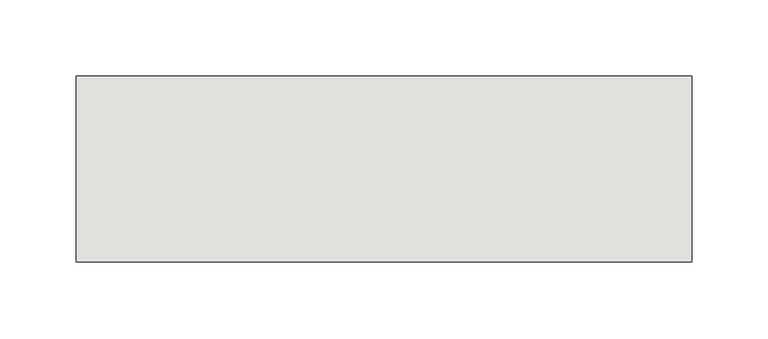
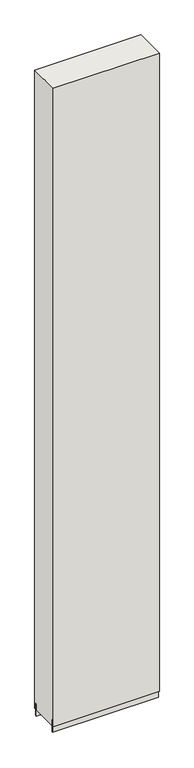
"""IFC4 building model written with IfcOpenShell, lengths in millimetres: wall geometry."""

from ifc_helpers import new_model, si_unit, frame, origin, place, context, project, spatial, polyline, outline, extrude, source, transform, mapped, element, save


def wall_4857bcc3(model_context):
    return source(origin(), model_context, "Body", "SweptSolid", [
        extrude(outline(polyline([(50645.874832, -39391.7214704), (50643.334832, -39391.7214704), (50643.334832, -39389.1814704), (50645.874832, -39389.1814704), (50645.874832, -39391.7214704)])), frame((0.0, 0.0, 4419.6), z_axis=(0.0, 0.0, 1.0), x_axis=(1.0, 0.0, 0.0)), (0.0, 0.0, 1.0), 2.54),
        extrude(outline(polyline([(50645.8729778, -39338.758508), (50242.7998952, -39338.758508), (50242.7998952, -39333.6766284), (50645.8729778, -39333.6766284), (50645.8729778, -39338.758508)])), frame((0.0, 0.0, 4418.6602), z_axis=(0.0, 0.0, 1.0), x_axis=(1.0, 0.0, 0.0)), (0.0, 0.0, 1.0), 47.625),
        extrude(outline(polyline([(50645.8729778, -39338.758508), (50242.7998952, -39338.758508), (50242.7998952, -39333.6766284), (50645.8729778, -39333.6766284), (50645.8729778, -39338.758508)])), frame((0.0, 0.0, 4418.6602), z_axis=(0.0, 0.0, 1.0), x_axis=(1.0, 0.0, 0.0)), (0.0, 0.0, 1.0), 47.625),
        extrude(outline(polyline([(50242.7998952, -39442.1351364), (50645.8729778, -39442.1351364), (50645.8729778, -39447.2169906), (50242.7998952, -39447.2169906), (50242.7998952, -39442.1351364)])), frame((0.0, 0.0, 4418.6602), z_axis=(0.0, 0.0, 1.0), x_axis=(1.0, 0.0, 0.0)), (0.0, 0.0, 1.0), 47.625),
        extrude(outline(polyline([(50242.7998952, -39442.1351364), (50645.8729778, -39442.1351364), (50645.8729778, -39447.2169906), (50242.7998952, -39447.2169906), (50242.7998952, -39442.1351364)])), frame((0.0, 0.0, 4418.6602), z_axis=(0.0, 0.0, 1.0), x_axis=(1.0, 0.0, 0.0)), (0.0, 0.0, 1.0), 47.625),
        extrude(outline(polyline([(50645.8729778, -39329.4877366), (50645.8729778, -39451.4058824), (50242.7998952, -39451.4058824), (50242.7998952, -39329.4877366), (50645.8729778, -39329.4877366)])), frame((0.0, 0.0, 4445.0), z_axis=(0.0, 0.0, 1.0), x_axis=(1.0, 0.0, 0.0)), (0.0, 0.0, 1.0), 2562.4536762),
    ])


if __name__ == "__main__":
    model = new_model("IFC4")
    model_context = context("Model", 3, world=origin())
    ifc_project = project(units=[si_unit("LENGTHUNIT", "METRE", prefix="MILLI")], contexts=[model_context])
    site = spatial("IfcSite", under=ifc_project)
    building = spatial("IfcBuilding", under=site)
    placement = place(None, origin())
    wall_shape = wall_4857bcc3(model_context)
    element("IfcWall", 1, at=placement, inside=building, context=model_context, shape_type="MappedRepresentation", body=[
        mapped(wall_shape, transform((0.0, 0.0, 0.0), x_axis=(1.0, 0.0, 0.0), y_axis=(0.0, 1.0, 0.0), z_axis=(0.0, 0.0, 1.0))),
    ])
    save(model, "model.ifc")
